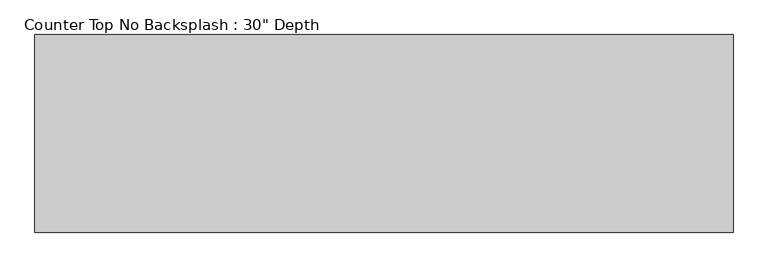
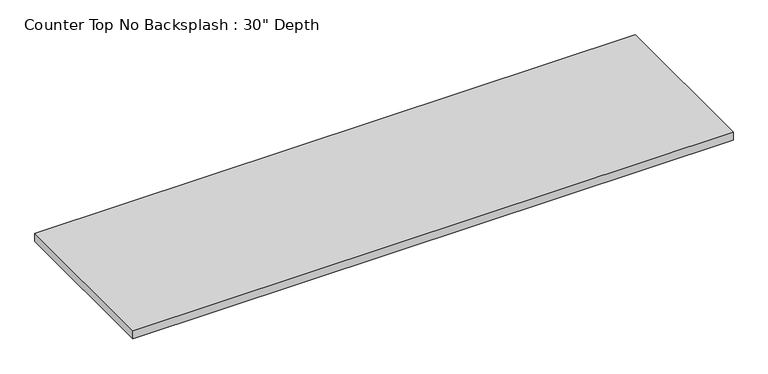
"""IFC4 building model written with IfcOpenShell, lengths in millimetres: furniture geometry."""

import ifcopenshell
import ifcopenshell.guid

model = None  # the IFC model being written
_history = None  # IfcOwnerHistory: only IFC2X3 demands one
_inside = {}  # id of a spatial element -> (the spatial element, [elements in it])
_under = {}  # id of a project, library or spatial element -> (it, [spatial elements below it])
_declared = {}  # id of a project -> (the project, [libraries it declares])
_typed = {}  # id of a type object -> (the type object, [elements of that type])
_made_of = {}  # id of a material, layer set ... -> (it, [elements and type objects made of it])


def new_model(schema):
    """Start an empty IFC model of exactly this schema.

    Asked for "IFC4X3", IfcOpenShell would pick the latest addendum, in which some entities
    have other attributes; the version numbers below select the first issue.
    IFC2X3 requires an IfcOwnerHistory on every rooted entity: one is made here for all.
    """
    global model, _history
    if schema == "IFC4X3":
        model = ifcopenshell.file(schema_version=(4, 3, 0, 0))
    else:
        model = ifcopenshell.file(schema=schema)
    _inside.clear()
    _under.clear()
    _declared.clear()
    _typed.clear()
    _made_of.clear()
    _history = None
    if model.schema == "IFC2X3":
        org = make("IfcOrganization", Name="unknown")
        user = make(
            "IfcPersonAndOrganization",
            ThePerson=make("IfcPerson", FamilyName="unknown"),
            TheOrganization=org,
        )
        app = make(
            "IfcApplication",
            ApplicationDeveloper=org,
            Version="unknown",
            ApplicationFullName="unknown",
            ApplicationIdentifier="unknown",
        )
        _history = make(
            "IfcOwnerHistory",
            OwningUser=user,
            OwningApplication=app,
            ChangeAction="ADDED",
            CreationDate=0,
        )
    return model


def make(cls, **values):
    """One entity of the class cls with the attributes given. An attribute that is None is left unset."""
    return model.create_entity(
        cls, **{name: value for name, value in values.items() if value is not None}
    )


def rooted(cls, **values):
    """An entity with a GlobalId (a new one), such as an element, a storey or a relation."""
    return make(cls, GlobalId=ifcopenshell.guid.new(), OwnerHistory=_history, **values)


def si_unit(unit_type, name, prefix=None):
    """IfcSIUnit, for example si_unit("LENGTHUNIT", "METRE", prefix="MILLI")."""
    return make("IfcSIUnit", UnitType=unit_type, Prefix=prefix, Name=name)


def assignment(units):
    """IfcUnitAssignment: the units of a project."""
    return None if units is None else make("IfcUnitAssignment", Units=units)


def point(xyz):
    """IfcCartesianPoint."""
    return None if xyz is None else make("IfcCartesianPoint", Coordinates=xyz)


def direction(xyz):
    """IfcDirection."""
    return None if xyz is None else make("IfcDirection", DirectionRatios=xyz)


def frame(location, z_axis=None, x_axis=None):
    """IfcAxis2Placement3D, a coordinate frame: its origin and axes. An axis left out is left unset."""
    return make(
        "IfcAxis2Placement3D",
        Location=point(location),
        Axis=direction(z_axis),
        RefDirection=direction(x_axis),
    )


def origin():
    """The frame at (0, 0, 0) with its axes left unset."""
    return frame((0.0, 0.0, 0.0))


def place(relative_to, where):
    """IfcLocalPlacement: puts the frame where relative to a parent placement (None: the world)."""
    return make(
        "IfcLocalPlacement", PlacementRelTo=relative_to, RelativePlacement=where
    )


def context(
    kind, dimensions, precision=None, world=None, true_north=None, identifier=None
):
    """IfcGeometricRepresentationContext, for example the 3D "Model" context."""
    return make(
        "IfcGeometricRepresentationContext",
        ContextIdentifier=identifier,
        ContextType=kind,
        CoordinateSpaceDimension=dimensions,
        Precision=precision,
        WorldCoordinateSystem=world,
        TrueNorth=true_north,
    )


def project(units=None, contexts=None):
    """IfcProject with its units and contexts."""
    return rooted(
        "IfcProject",
        Name="project",
        RepresentationContexts=contexts,
        UnitsInContext=assignment(units),
    )


def spatial(cls, under=None, at=None, **own):
    """A site, building, storey or space (cls), placed at a placement, below another one or the project."""
    s = rooted(cls, ObjectPlacement=at, **own)
    if under is not None:
        _under.setdefault(under.id(), (under, []))[1].append(s)
    return s


def polyline(points):
    """IfcPolyline through the points."""
    return make("IfcPolyline", Points=[point(p) for p in points])


def outline(outer, holes=None, kind="AREA"):
    """IfcArbitraryClosedProfileDef: a profile drawn as a closed curve; with holes, ...WithVoids."""
    if holes is None:
        return make("IfcArbitraryClosedProfileDef", ProfileType=kind, OuterCurve=outer)
    return make(
        "IfcArbitraryProfileDefWithVoids",
        ProfileType=kind,
        OuterCurve=outer,
        InnerCurves=holes,
    )


def extrude(swept, where, along, depth):
    """IfcExtrudedAreaSolid: the profile swept, set in the frame where, extruded along a direction by depth."""
    return make(
        "IfcExtrudedAreaSolid",
        SweptArea=swept,
        Position=where,
        ExtrudedDirection=direction(along),
        Depth=depth,
    )


def shape(context_of_items, identifier, shape_type, items):
    """IfcShapeRepresentation: the items that make up one representation, for example the "Body"."""
    return make(
        "IfcShapeRepresentation",
        ContextOfItems=context_of_items,
        RepresentationIdentifier=identifier,
        RepresentationType=shape_type,
        Items=items,
    )


def source(mapping_origin, context_of_items, identifier, shape_type, items):
    """IfcRepresentationMap: a shape defined once, which mapped items show again and again."""
    return make(
        "IfcRepresentationMap",
        MappingOrigin=mapping_origin,
        MappedRepresentation=shape(context_of_items, identifier, shape_type, items),
    )


def transform(
    local_origin,
    x_axis=None,
    y_axis=None,
    z_axis=None,
    scale=None,
    scale2=None,
    scale3=None,
    uniform=True,
):
    """IfcCartesianTransformationOperator3D, or its non-uniform kind. x_axis, y_axis, z_axis: its Axis1, 2, 3."""
    if uniform:
        return make(
            "IfcCartesianTransformationOperator3D",
            Axis1=direction(x_axis),
            Axis2=direction(y_axis),
            LocalOrigin=point(local_origin),
            Scale=scale,
            Axis3=direction(z_axis),
        )
    return make(
        "IfcCartesianTransformationOperator3DnonUniform",
        Axis1=direction(x_axis),
        Axis2=direction(y_axis),
        LocalOrigin=point(local_origin),
        Scale=scale,
        Axis3=direction(z_axis),
        Scale2=scale2,
        Scale3=scale3,
    )


def mapped(mapping_source, mapping_target):
    """IfcMappedItem: shows the shape of a source again, moved by a transform."""
    return make(
        "IfcMappedItem", MappingSource=mapping_source, MappingTarget=mapping_target
    )


def made_of(thing, what):
    """Note that an element or type object is made of a material, layer set ...; save() writes the relation."""
    if what is not None:
        _made_of.setdefault(what.id(), (what, []))[1].append(thing)
    return thing


def element(
    cls,
    number,
    at=None,
    inside=None,
    cuts=None,
    type_object=None,
    material=None,
    context=None,
    identifier="Body",
    shape_type=None,
    held_by="IfcProductDefinitionShape",
    body=None,
    shapes=None,
    **own,
):
    """One element of the class cls, such as IfcWall. Its Tag is "e" and its number.

    at: its placement. inside: the storey or other place that contains it. cuts: it is an
    opening in that element (IfcRelVoidsElement). A single representation is given by context,
    identifier, shape_type and body (its items); several are given by shapes. held_by: the class
    of the entity that holds the representations. save() writes the other relations.
    """
    e = rooted(cls, Tag="e%d" % number, ObjectPlacement=at, **own)
    if body is not None:
        shapes = [shape(context, identifier, shape_type, body)]
    if shapes is not None:
        e.Representation = make(held_by, Representations=shapes)
    if inside is not None:
        _inside.setdefault(inside.id(), (inside, []))[1].append(e)
    if cuts is not None:
        rooted(
            "IfcRelVoidsElement", RelatingBuildingElement=cuts, RelatedOpeningElement=e
        )
    if type_object is not None:
        _typed.setdefault(type_object.id(), (type_object, []))[1].append(e)
    return made_of(e, material)


def aggregate(whole, parts):
    """IfcRelAggregates: a whole, such as a stair, and the parts it consists of."""
    return rooted("IfcRelAggregates", RelatingObject=whole, RelatedObjects=parts)


def save(model, path):
    """Write the relations noted so far, then the file.

    IfcRelAggregates (storeys below a building ...), IfcRelContainedInSpatialStructure (elements
    in a storey), IfcRelDefinesByType, IfcRelAssociatesMaterial and IfcRelDeclares: one each for
    every whole, place, type object, material and project.
    """
    for whole, parts in _under.values():
        aggregate(whole, parts)
    for where, things in _inside.values():
        rooted(
            "IfcRelContainedInSpatialStructure",
            RelatedElements=things,
            RelatingStructure=where,
        )
    for kind, things in _typed.values():
        rooted("IfcRelDefinesByType", RelatedObjects=things, RelatingType=kind)
    for what, things in _made_of.values():
        rooted("IfcRelAssociatesMaterial", RelatedObjects=things, RelatingMaterial=what)
    for by, libraries in _declared.values():
        rooted("IfcRelDeclares", RelatingContext=by, RelatedDefinitions=libraries)
    model.write(path)


def furniture_fa4ad817(model_context):
    return source(origin(), model_context, "Body", "SweptSolid", [
        extrude(outline(polyline([(1491.9377049, 0.0), (1491.9377049, -762.0), (-1200.4622951, -762.0), (-1200.4622951, 0.0), (1491.9377049, 0.0)])), frame((0.0, 0.0, 876.3), z_axis=(0.0, 0.0, 1.0), x_axis=(1.0, 0.0, 0.0)), (0.0, 0.0, 1.0), 38.1),
    ])


if __name__ == "__main__":
    model = new_model("IFC4")
    model_context = context("Model", 3, world=origin())
    ifc_project = project(units=[si_unit("LENGTHUNIT", "METRE", prefix="MILLI")], contexts=[model_context])
    site = spatial("IfcSite", under=ifc_project)
    building = spatial("IfcBuilding", under=site)
    placement = place(None, origin())
    furniture_shape = furniture_fa4ad817(model_context)
    element("IfcFurniture", 1, ObjectType="Counter Top No Backsplash : 30\" Depth", at=placement, inside=building, context=model_context, shape_type="MappedRepresentation", body=[
        mapped(furniture_shape, transform((0.0, 0.0, 0.0), x_axis=(1.0, 0.0, 0.0), y_axis=(0.0, 1.0, 0.0), z_axis=(0.0, 0.0, 1.0))),
    ])
    save(model, "model.ifc")
